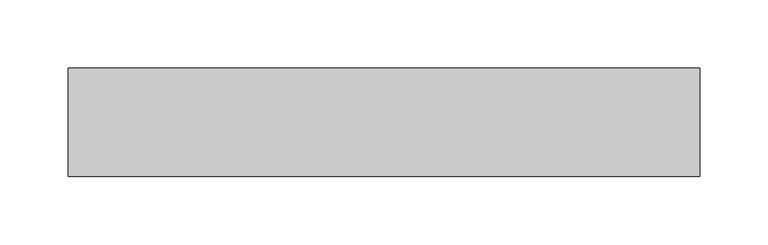
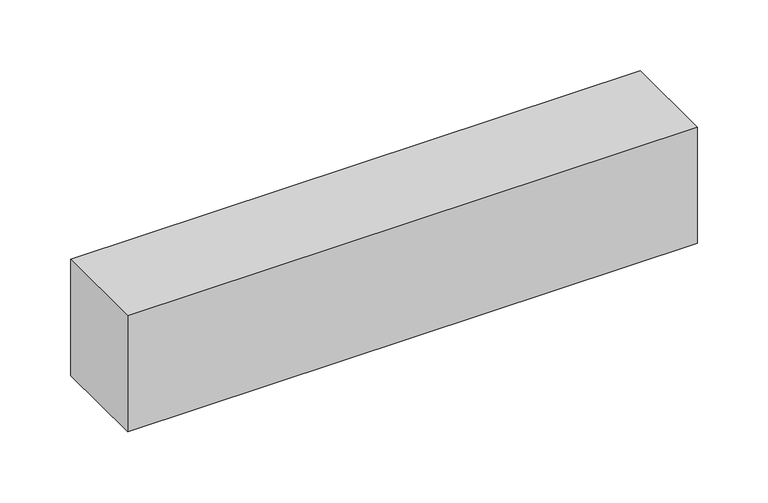
"""IFC4 building model written with IfcOpenShell, lengths in millimetres: proxy geometry."""

from ifc_helpers import new_model, si_unit, origin, origin_with_axes, place, context, project, spatial, polyline, outline, extrude, source, transform, mapped, element, save


def generic_models_cfb0f911(model_context):
    return source(origin(), model_context, "Body", "SweptSolid", [
        extrude(outline(polyline([(464.2640687, -40.0), (0.0, -40.0), (0.0, 40.0), (464.2640687, 40.0), (464.2640687, -40.0)])), origin_with_axes(), (0.0, 0.0, 1.0), 100.0),
    ])


if __name__ == "__main__":
    model = new_model("IFC4")
    model_context = context("Model", 3, world=origin())
    ifc_project = project(units=[si_unit("LENGTHUNIT", "METRE", prefix="MILLI")], contexts=[model_context])
    site = spatial("IfcSite", under=ifc_project)
    building = spatial("IfcBuilding", under=site)
    placement = place(None, origin())
    generic_models_shape = generic_models_cfb0f911(model_context)
    element("IfcBuildingElementProxy", 1, Name="Generic Models", at=placement, inside=building, context=model_context, shape_type="MappedRepresentation", body=[
        mapped(generic_models_shape, transform((0.0, 0.0, 0.0), x_axis=(1.0, 0.0, 0.0), y_axis=(0.0, 1.0, 0.0), z_axis=(0.0, 0.0, 1.0))),
    ])
    save(model, "model.ifc")
